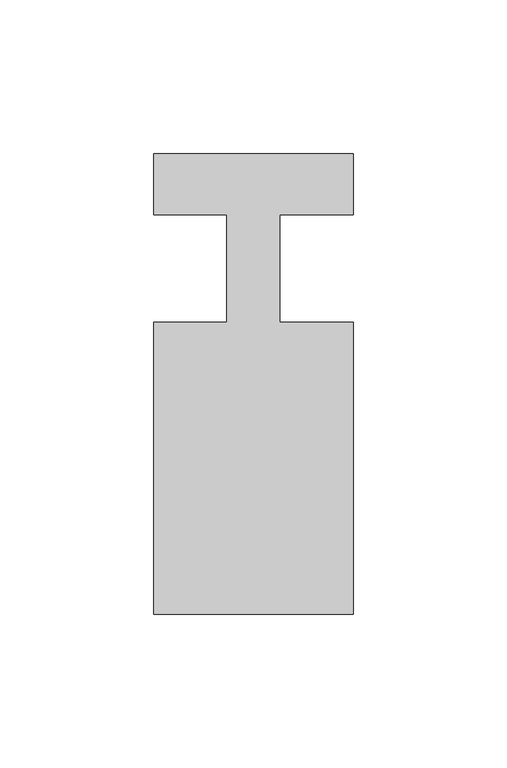
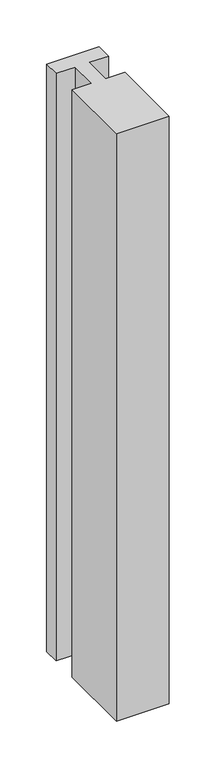
"""IFC4 building model written with IfcOpenShell, lengths in millimetres: member geometry."""

from ifc_helpers import new_model, si_unit, frame, origin, place, context, project, spatial, polyline, outline, extrude, source, transform, mapped, element, save


def member_e3c75734(model_context):
    return source(origin(), model_context, "Body", "SweptSolid", [
        extrude(outline(polyline([(-32.5, 37.0), (32.5, 37.0), (32.5, 17.0), (8.6875, 17.0), (8.6875, -18.0), (32.5, -18.0), (32.5, -113.0), (-32.5, -113.0), (-32.5, -18.0), (-8.6875, -18.0), (-8.6875, 17.0), (-32.5, 17.0), (-32.5, 37.0)])), frame((0.0, 0.0, -767.5), z_axis=(0.0, 0.0, 1.0), x_axis=(1.0, 0.0, 0.0)), (0.0, 0.0, 1.0), 767.5),
    ])


if __name__ == "__main__":
    model = new_model("IFC4")
    model_context = context("Model", 3, world=origin())
    ifc_project = project(units=[si_unit("LENGTHUNIT", "METRE", prefix="MILLI")], contexts=[model_context])
    site = spatial("IfcSite", under=ifc_project)
    building = spatial("IfcBuilding", under=site)
    placement = place(None, origin())
    member_shape = member_e3c75734(model_context)
    element("IfcMember", 1, at=placement, inside=building, context=model_context, shape_type="MappedRepresentation", body=[
        mapped(member_shape, transform((0.0, 0.0, 0.0), x_axis=(1.0, 0.0, 0.0), y_axis=(0.0, 1.0, 0.0), z_axis=(0.0, 0.0, 1.0))),
    ])
    save(model, "model.ifc")
